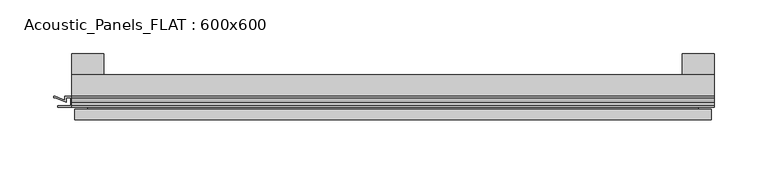
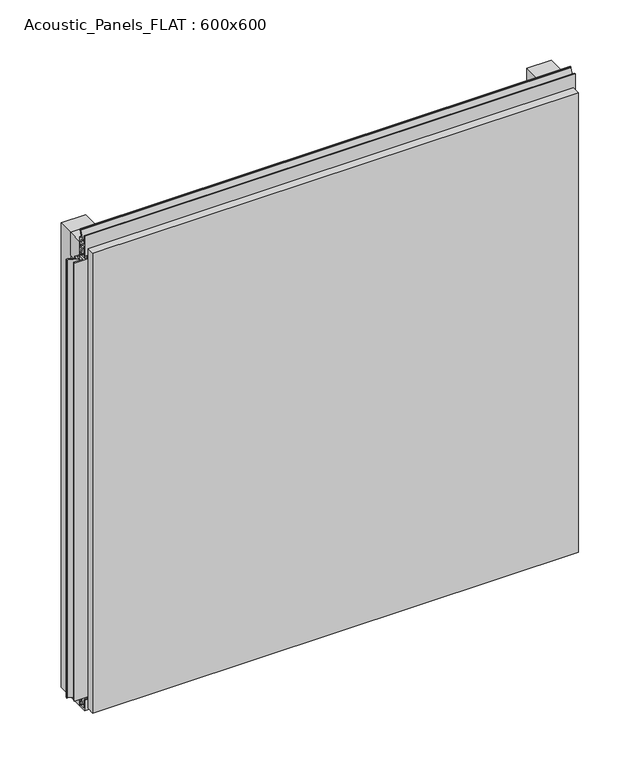
"""IFC4 building model written with IfcOpenShell, lengths in millimetres: plate geometry, Acoustic_Panels_FLAT : 600x600."""

from ifc_helpers import new_model, si_unit, frame, origin, origin_with_axes, place, context, project, spatial, polyline, outline, extrude, faceted_brep, source, transform, mapped, element, save


def acoustic_panels_flat_600x600_2cb06df3(model_context):
    return source(origin(), model_context, "Body", "SolidModel", [
        extrude(outline(polyline([(-300.0, -40.0), (-300.0, -20.0), (300.0, -20.0), (300.0, -40.0), (-300.0, -40.0)])), frame((0.0, 0.0, 570.0), z_axis=(0.0, 0.0, 1.0), x_axis=(1.0, 0.0, 0.0)), (0.0, 0.0, 1.0), 30.0),
        extrude(outline(polyline([(-300.0, -40.0), (-300.0, -20.0), (300.0, -20.0), (300.0, -40.0), (-300.0, -40.0)])), origin_with_axes(), (0.0, 0.0, 1.0), 30.0),
        extrude(outline(polyline([(270.0, 0.0), (300.0, 0.0), (300.0, -20.0), (270.0, -20.0), (270.0, 0.0)])), origin_with_axes(), (0.0, 0.0, 1.0), 600.0),
        extrude(outline(polyline([(-270.0, 0.0), (-270.0, -20.0), (-300.0, -20.0), (-300.0, 0.0), (-270.0, 0.0)])), origin_with_axes(), (0.0, 0.0, 1.0), 600.0),
        extrude(outline(polyline([(-40.0, 6.299084), (-40.0, 0.0), (-50.1, 0.0), (-50.1, 13.4156807), (-48.7, 13.4156807), (-48.7, 1.4156807), (-41.4, 1.4156807), (-41.4, 4.899084), (-45.5140545, 4.899084), (-41.4553267, 15.5703394), (-41.4553267, 22.991548), (-40.0553267, 22.991548), (-40.0553267, 15.3558599), (-43.5, 6.299084), (-40.0, 6.299084)])), frame((-300.0, 0.0, 0.0), z_axis=(1.0, 0.0, 0.0), x_axis=(0.0, 1.0, 0.0)), (0.0, 0.0, 1.0), 600.0),
        extrude(outline(polyline([(293.700916, -40.0), (300.0, -40.0), (300.0, -50.1), (286.5843193, -50.1), (286.5843193, -48.7), (298.5843193, -48.7), (298.5843193, -41.4), (295.100916, -41.4), (295.100916, -45.5140545), (284.4296606, -41.4553267), (277.008452, -41.4553267), (277.008452, -40.0553267), (284.6441401, -40.0553267), (293.700916, -43.5), (293.700916, -40.0)])), frame((0.0, 0.0, 16.9558599), z_axis=(0.0, 0.0, 1.0), x_axis=(1.0, 0.0, 0.0)), (0.0, 0.0, 1.0), 566.0882802),
        extrude(outline(polyline([(-300.899084, -48.7), (-300.899084, -41.4), (-304.899084, -41.4), (-304.899084, -45.5140545), (-315.5703394, -41.4553267), (-316.9558599, -41.4553267), (-316.9558599, -40.0553267), (-315.3558599, -40.0553267), (-306.299084, -43.5), (-306.299084, -40.0), (-293.700916, -40.0), (-293.700916, -43.5), (-284.6441401, -40.0553267), (-283.0441401, -40.0553267), (-283.0441401, -41.4553267), (-284.4296606, -41.4553267), (-295.100916, -45.5140545), (-295.100916, -41.4), (-299.100916, -41.4), (-299.100916, -48.7), (-287.100916, -48.7), (-287.100916, -50.1), (-312.899084, -50.1), (-312.899084, -48.7), (-300.899084, -48.7)])), frame((0.0, 0.0, 16.9558599), z_axis=(0.0, 0.0, 1.0), x_axis=(1.0, 0.0, 0.0)), (0.0, 0.0, 1.0), 566.0882802),
        extrude(outline(polyline([(-48.7, 600.899084), (-41.4, 600.899084), (-41.4, 604.899084), (-45.5140545, 604.899084), (-41.4553267, 615.5703394), (-41.4553267, 616.9558599), (-40.0553267, 616.9558599), (-40.0553267, 615.3558599), (-43.5, 606.299084), (-40.0, 606.299084), (-40.0, 593.700916), (-43.5, 593.700916), (-40.0553267, 584.6441401), (-40.0553267, 583.0441401), (-41.4553267, 583.0441401), (-41.4553267, 584.4296606), (-45.5140545, 595.100916), (-41.4, 595.100916), (-41.4, 599.100916), (-48.7, 599.100916), (-48.7, 587.100916), (-50.1, 587.100916), (-50.1, 612.899084), (-48.7, 612.899084), (-48.7, 600.899084)])), frame((-300.0, 0.0, 0.0), z_axis=(1.0, 0.0, 0.0), x_axis=(0.0, 1.0, 0.0)), (0.0, 0.0, 1.0), 600.0),
        faceted_brep([(297.0, -45.9, 597.0), (-297.0, -45.9, 597.0), (-297.0, -48.7, 597.0), (297.0, -48.7, 597.0), (-297.0, -61.9, 597.0), (297.0, -61.9, 597.0), (297.0, -51.9, 597.0), (-297.0, -51.9, 597.0), (-297.0, -45.9, 3.0), (297.0, -45.9, 3.0), (297.0, -48.7, 3.0), (-297.0, -48.7, 3.0), (297.0, -61.9, 3.0), (-297.0, -61.9, 3.0), (-297.0, -51.9, 3.0), (297.0, -51.9, 3.0), (285.0, -51.9, 585.0), (285.0, -51.9, 15.0), (285.0, -48.7, 15.0), (285.0, -48.7, 585.0), (-285.0, -51.9, 15.0), (-285.0, -48.7, 15.0), (-285.0, -51.9, 585.0), (-285.0, -48.7, 585.0)], [[[0, 1, 2, 3]], [[4, 5, 6, 7]], [[8, 9, 10, 11]], [[12, 13, 14, 15]], [[1, 0, 9, 8]], [[1, 8, 11, 2]], [[13, 4, 7, 14]], [[5, 4, 13, 12]], [[9, 0, 3, 10]], [[5, 12, 15, 6]], [[16, 17, 18, 19]], [[18, 17, 20, 21]], [[21, 20, 22, 23]], [[16, 19, 23, 22]], [[7, 6, 15, 14], [17, 16, 22, 20]], [[3, 2, 11, 10], [19, 18, 21, 23]]]),
    ])


if __name__ == "__main__":
    model = new_model("IFC4")
    model_context = context("Model", 3, world=origin())
    ifc_project = project(units=[si_unit("LENGTHUNIT", "METRE", prefix="MILLI")], contexts=[model_context])
    site = spatial("IfcSite", under=ifc_project)
    building = spatial("IfcBuilding", under=site)
    placement = place(None, origin())
    acoustic_panels_flat_600x600_shape = acoustic_panels_flat_600x600_2cb06df3(model_context)
    element("IfcPlate", 1, ObjectType="Acoustic_Panels_FLAT : 600x600", at=placement, inside=building, context=model_context, shape_type="MappedRepresentation", body=[
        mapped(acoustic_panels_flat_600x600_shape, transform((0.0, 0.0, 0.0), x_axis=(1.0, 0.0, 0.0), y_axis=(0.0, 1.0, 0.0), z_axis=(0.0, 0.0, 1.0))),
    ])
    save(model, "model.ifc")
